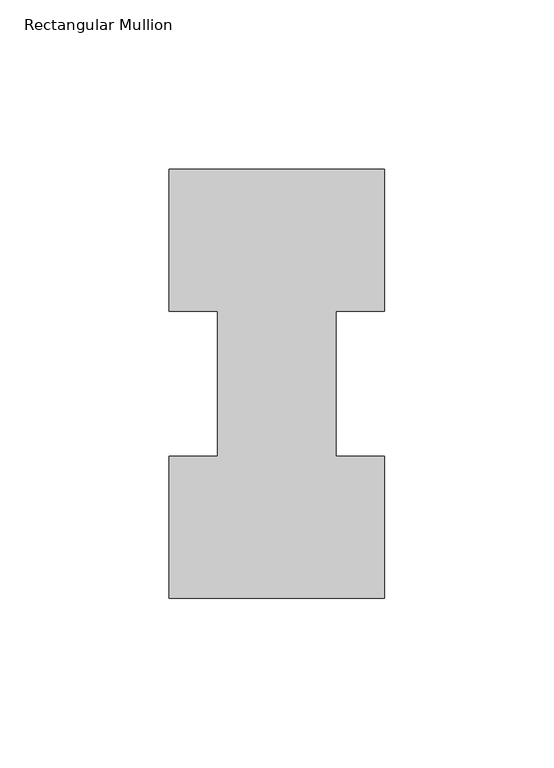
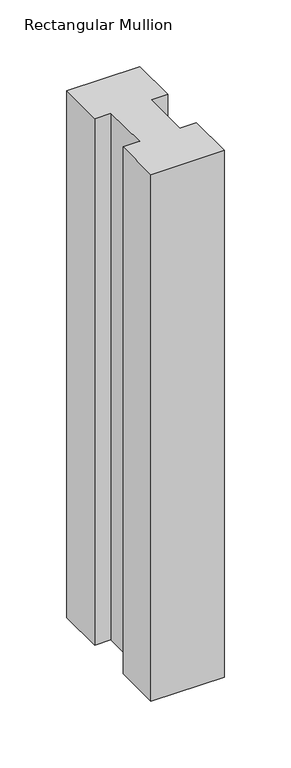
"""IFC4 building model written with IfcOpenShell, lengths in millimetres: member geometry, Rectangular Mullion."""

from ifc_helpers import new_model, si_unit, frame, origin, place, context, project, spatial, polyline, outline, extrude, source, transform, mapped, element, save


def rectangular_mullion_2a5cba2a(model_context):
    return source(origin(), model_context, "Body", "SweptSolid", [
        extrude(outline(polyline([(-63.5, 0.2967757), (-63.5, 42.1178757), (-49.2125, 42.1178757), (-49.2125, 84.93125), (-63.5, 84.93125), (-63.5, 126.7887757), (0.0, 126.7887757), (0.0, 84.93125), (-14.2748, 84.93125), (-14.2748, 42.1178757), (0.0, 42.1178757), (0.0, 0.2967757), (-63.5, 0.2967757)])), frame((0.0, 0.0, -482.6), z_axis=(0.0, 0.0, 1.0), x_axis=(1.0, 0.0, 0.0)), (0.0, 0.0, 1.0), 482.6),
    ])


if __name__ == "__main__":
    model = new_model("IFC4")
    model_context = context("Model", 3, world=origin())
    ifc_project = project(units=[si_unit("LENGTHUNIT", "METRE", prefix="MILLI")], contexts=[model_context])
    site = spatial("IfcSite", under=ifc_project)
    building = spatial("IfcBuilding", under=site)
    placement = place(None, origin())
    rectangular_mullion_shape = rectangular_mullion_2a5cba2a(model_context)
    element("IfcMember", 1, ObjectType="Rectangular Mullion", at=placement, inside=building, context=model_context, shape_type="MappedRepresentation", body=[
        mapped(rectangular_mullion_shape, transform((0.0, 0.0, 0.0), x_axis=(1.0, 0.0, 0.0), y_axis=(0.0, 1.0, 0.0), z_axis=(0.0, 0.0, 1.0))),
    ])
    save(model, "model.ifc")
